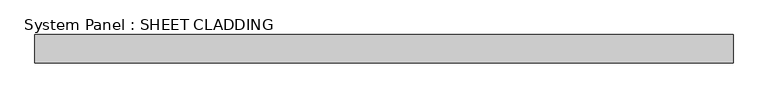
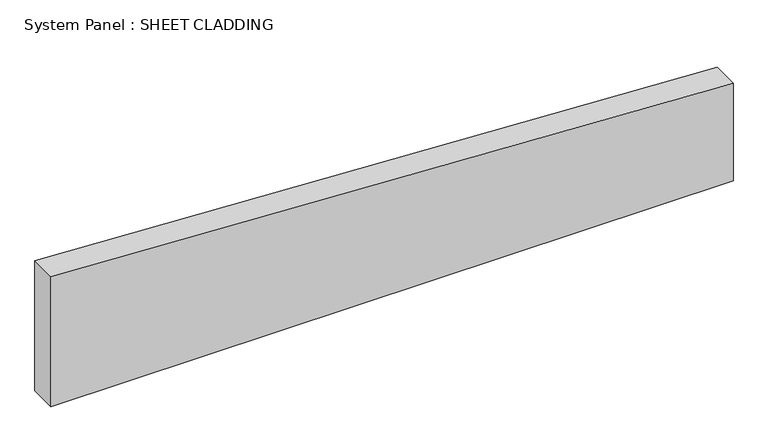
"""IFC4 building model written with IfcOpenShell, lengths in millimetres: plate geometry, System Panel : SHEET CLADDING."""

from ifc_helpers import new_model, si_unit, frame, origin, place, context, project, spatial, polyline, outline, extrude, source, transform, mapped, element, save


def system_panel_sheet_cladding_5250506b(model_context):
    return source(origin(), model_context, "Body", "SweptSolid", [
        extrude(outline(polyline([(0.0, -735.4591837), (0.0, 735.4591837), (222.9061225, 735.4591837), (296.4520408, -735.4591837), (0.0, -735.4591837)])), frame((0.0, -10.5, 0.0), z_axis=(0.0, 1.0, 0.0), x_axis=(0.0, 0.0, 1.0)), (0.0, 0.0, 1.0), 60.0),
    ])


if __name__ == "__main__":
    model = new_model("IFC4")
    model_context = context("Model", 3, world=origin())
    ifc_project = project(units=[si_unit("LENGTHUNIT", "METRE", prefix="MILLI")], contexts=[model_context])
    site = spatial("IfcSite", under=ifc_project)
    building = spatial("IfcBuilding", under=site)
    placement = place(None, origin())
    system_panel_sheet_cladding_shape = system_panel_sheet_cladding_5250506b(model_context)
    element("IfcPlate", 1, ObjectType="System Panel : SHEET CLADDING", at=placement, inside=building, context=model_context, shape_type="MappedRepresentation", body=[
        mapped(system_panel_sheet_cladding_shape, transform((0.0, 0.0, 0.0), x_axis=(1.0, 0.0, 0.0), y_axis=(0.0, 1.0, 0.0), z_axis=(0.0, 0.0, 1.0))),
    ])
    save(model, "model.ifc")
